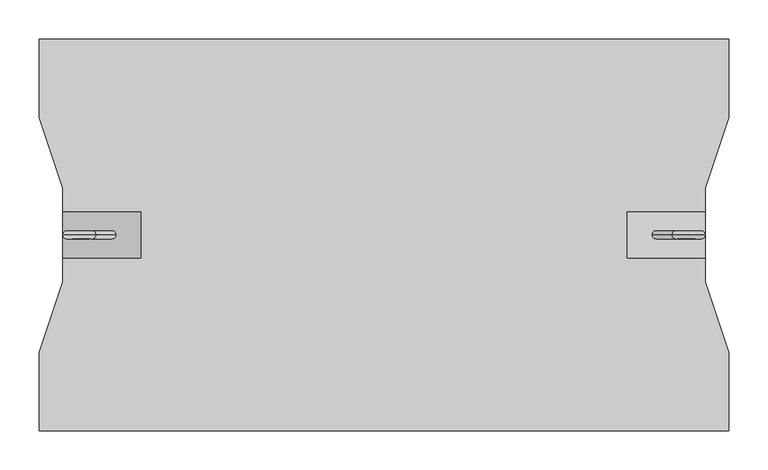
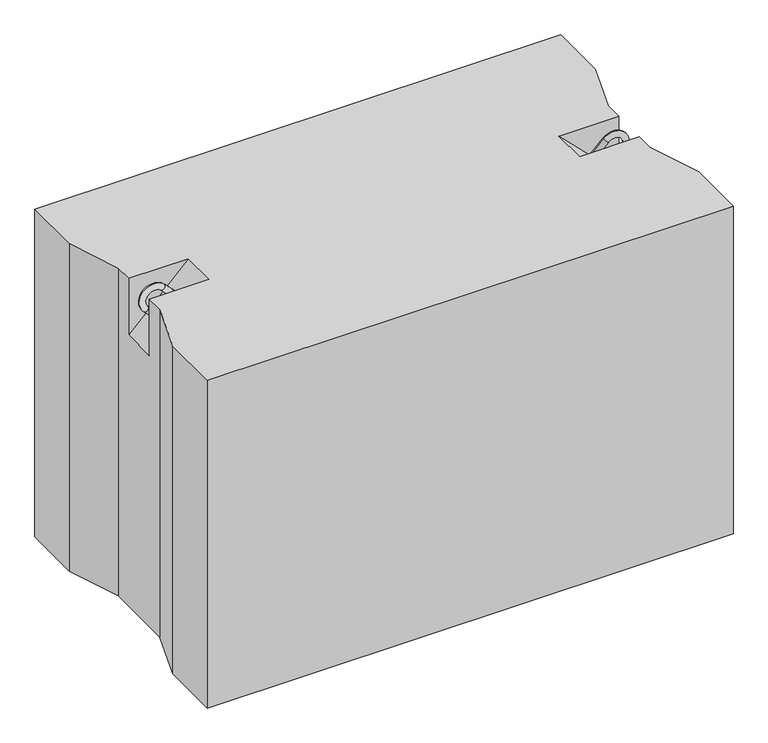
"""IFC4 building model written with IfcOpenShell, lengths in millimetres: proxy geometry."""

from ifc_helpers import new_model, si_unit, point, frame, origin, place, context, project, spatial, circle_curve, ellipse_curve, trimmed, faceted_brep, source, transform, mapped, element, save
from ifc_brep_helpers import plane_surface, cylinder_surface, revolved_surface, advanced_brep


def generic_models_9c0ca7b1(model_context):
    return source(origin(), model_context, "Body", "SolidModel", [
        advanced_brep(
        [(782.3223305, 0.0, 547.6776695), (789.3933983, 0.0, 540.6066017), (814.3933983, 0.0, 565.6066017), (807.3223305, 0.0, 572.6776695), (835.6066017, 0.0, 544.3933983), (842.6776695, 0.0, 537.3223305), (817.6776695, 0.0, 512.3223305), (810.6066017, 0.0, 519.3933983)],
        [
            (0, 1, circle_curve(frame((785.8578644, 0.0, 544.1421356), z_axis=(-0.7071067811865482, 0.0, -0.7071067811865468), x_axis=(0.7071067811865468, 0.0, -0.7071067811865482)), 5.0)),
            (1, 0, circle_curve(frame((785.8578644, 0.0, 544.1421356), z_axis=(-0.7071067811865482, 0.0, -0.7071067811865468), x_axis=(0.7071067811865468, 0.0, -0.7071067811865482)), 5.0)),
            (1, 2),
            (2, 3, circle_curve(frame((810.8578644, 0.0, 569.1421356), z_axis=(-0.7071067811865482, 0.0, -0.7071067811865468), x_axis=(0.7071067811865468, 0.0, -0.7071067811865482)), 5.0)),
            (3, 0),
            (3, 2, circle_curve(frame((810.8578644, 0.0, 569.1421356), z_axis=(-0.7071067811865482, 0.0, -0.7071067811865468), x_axis=(0.7071067811865468, 0.0, -0.7071067811865482)), 5.0)),
            (4, 5, circle_curve(frame((839.1421356, 0.0, 540.8578644), z_axis=(0.7071067811865457, 0.0, 0.7071067811865493), x_axis=(-0.7071067811865493, 0.0, 0.7071067811865457)), 5.0)),
            (5, 3, circle_curve(frame((825.0, 0.0, 555.0), z_axis=(0.0, -1.0, 0.0), x_axis=(-0.7071067811865468, 0.0, 0.7071067811865482)), 25.0)),
            (2, 4, circle_curve(frame((825.0, 0.0, 555.0), z_axis=(0.0, 1.0, 0.0), x_axis=(-0.7071067811865468, 0.0, 0.7071067811865482)), 15.0)),
            (5, 4, circle_curve(frame((839.1421356, 0.0, 540.8578644), z_axis=(0.7071067811865459, 0.0, 0.7071067811865491), x_axis=(-0.7071067811865491, 0.0, 0.7071067811865459)), 5.0)),
            (6, 7, circle_curve(frame((814.1421356, 0.0, 515.8578644), z_axis=(-0.7071067811865505, 0.0, -0.7071067811865446), x_axis=(-0.7071067811865446, 0.0, 0.7071067811865505)), 5.0)),
            (7, 6, circle_curve(frame((814.1421356, 0.0, 515.8578644), z_axis=(-0.7071067811865505, 0.0, -0.7071067811865446), x_axis=(-0.7071067811865446, 0.0, 0.7071067811865505)), 5.0)),
            (4, 7),
            (6, 5),
        ],
        [
            plane_surface(frame((782.3223305, 0.0, 547.6776695), z_axis=(-0.7071067811865482, 0.0, -0.7071067811865468), x_axis=(0.0, -1.0, 0.0))),
            cylinder_surface(frame((785.8578644, 0.0, 544.1421356), z_axis=(-0.7071067811865482, 0.0, -0.7071067811865468), x_axis=(0.7071067811865468, 0.0, -0.7071067811865482)), 5.0),
            revolved_surface(trimmed(ellipse_curve(frame((810.8578644, 0.0, 569.1421356), z_axis=(0.7071067811865482, 0.0, 0.7071067811865468), x_axis=(0.7071067811865468, 0.0, -0.7071067811865482)), 5.0, 5.0), [point((807.3223305, 0.0, 572.6776695))], [point((814.3933983, 0.0, 565.6066017))], True, "CARTESIAN"), (825.0, 0.0, 555.0), (0.0, -1.0, 0.0)),
            revolved_surface(trimmed(ellipse_curve(frame((810.8578644, 0.0, 569.1421356), z_axis=(0.7071067811865482, 0.0, 0.7071067811865468), x_axis=(0.7071067811865468, 0.0, -0.7071067811865482)), 5.0, 5.0), [point((814.3933983, 0.0, 565.6066017))], [point((807.3223305, 0.0, 572.6776695))], True, "CARTESIAN"), (825.0, 0.0, 555.0), (0.0, -1.0, 0.0)),
            plane_surface(frame((817.6776695, 0.0, 512.3223305), z_axis=(-0.7071067811865505, 0.0, -0.7071067811865446), x_axis=(0.0, -1.0, 0.0))),
            cylinder_surface(frame((839.1421356, 0.0, 540.8578644), z_axis=(0.7071067811865505, 0.0, 0.7071067811865446), x_axis=(-0.7071067811865446, 0.0, 0.7071067811865505)), 5.0),
        ],
        [
            (0, [[1, 2]]),
            (1, [[3, 4, 5, -2]]),
            (1, [[-5, 6, -3, -1]]),
            (2, [[7, 8, -4, 9]]),
            (3, [[10, -9, -6, -8]]),
            (4, [[11, 12]]),
            (5, [[13, -11, 14, -7]]),
            (5, [[-14, -12, -13, -10]]),
        ],
    ),
        advanced_brep(
        [(97.6776695, 0.0, 547.6776695), (90.6066017, 0.0, 540.6066017), (72.6776695, 0.0, 572.6776695), (65.6066017, 0.0, 565.6066017), (44.3933983, 0.0, 544.3933983), (37.3223305, 0.0, 537.3223305), (62.3223305, 0.0, 512.3223305), (69.3933983, 0.0, 519.3933983)],
        [
            (0, 1, circle_curve(frame((94.1421356, 0.0, 544.1421356), z_axis=(0.707106781186546, 0.0, -0.707106781186549), x_axis=(-0.707106781186549, 0.0, -0.707106781186546)), 5.0)),
            (1, 0, circle_curve(frame((94.1421356, 0.0, 544.1421356), z_axis=(0.707106781186546, 0.0, -0.707106781186549), x_axis=(-0.707106781186549, 0.0, -0.707106781186546)), 5.0)),
            (0, 2),
            (2, 3, circle_curve(frame((69.1421356, 0.0, 569.1421356), z_axis=(0.707106781186546, 0.0, -0.707106781186549), x_axis=(-0.707106781186549, 0.0, -0.707106781186546)), 5.0)),
            (3, 1),
            (3, 2, circle_curve(frame((69.1421356, 0.0, 569.1421356), z_axis=(0.707106781186546, 0.0, -0.707106781186549), x_axis=(-0.707106781186549, 0.0, -0.707106781186546)), 5.0)),
            (4, 3, circle_curve(frame((55.0, 0.0, 555.0), z_axis=(0.0, 1.0, 0.0), x_axis=(0.707106781186549, 0.0, 0.707106781186546)), 15.0)),
            (2, 5, circle_curve(frame((55.0, 0.0, 555.0), z_axis=(0.0, -1.0, 0.0), x_axis=(0.707106781186549, 0.0, 0.707106781186546)), 25.0)),
            (5, 4, circle_curve(frame((40.8578644, 0.0, 540.8578644), z_axis=(-0.7071067811865437, 0.0, 0.7071067811865513), x_axis=(0.7071067811865513, 0.0, 0.7071067811865437)), 5.0)),
            (4, 5, circle_curve(frame((40.8578644, 0.0, 540.8578644), z_axis=(-0.7071067811865437, 0.0, 0.7071067811865513), x_axis=(0.7071067811865513, 0.0, 0.7071067811865437)), 5.0)),
            (6, 7, circle_curve(frame((65.8578644, 0.0, 515.8578644), z_axis=(0.7071067811865482, 0.0, -0.7071067811865468), x_axis=(0.7071067811865468, 0.0, 0.7071067811865482)), 5.0)),
            (7, 6, circle_curve(frame((65.8578644, 0.0, 515.8578644), z_axis=(0.7071067811865482, 0.0, -0.7071067811865468), x_axis=(0.7071067811865468, 0.0, 0.7071067811865482)), 5.0)),
            (5, 6),
            (7, 4),
        ],
        [
            plane_surface(frame((97.6776695, 0.0, 547.6776695), z_axis=(0.707106781186546, 0.0, -0.707106781186549), x_axis=(0.0, -1.0, 0.0))),
            cylinder_surface(frame((94.1421356, 0.0, 544.1421356), z_axis=(0.707106781186546, 0.0, -0.707106781186549), x_axis=(-0.707106781186549, 0.0, -0.707106781186546)), 5.0),
            revolved_surface(trimmed(ellipse_curve(frame((69.1421356, 0.0, 569.1421356), z_axis=(0.707106781186546, 0.0, -0.707106781186549), x_axis=(-0.707106781186549, 0.0, -0.707106781186546)), 5.0, 5.0), [point((72.6776695, 0.0, 572.6776695))], [point((65.6066017, 0.0, 565.6066017))], True, "CARTESIAN"), (55.0, 0.0, 555.0), (0.0, -1.0, 0.0)),
            revolved_surface(trimmed(ellipse_curve(frame((69.1421356, 0.0, 569.1421356), z_axis=(0.707106781186546, 0.0, -0.707106781186549), x_axis=(-0.707106781186549, 0.0, -0.707106781186546)), 5.0, 5.0), [point((65.6066017, 0.0, 565.6066017))], [point((72.6776695, 0.0, 572.6776695))], True, "CARTESIAN"), (55.0, 0.0, 555.0), (0.0, -1.0, 0.0)),
            plane_surface(frame((62.3223305, 0.0, 512.3223305), z_axis=(0.7071067811865482, 0.0, -0.7071067811865468), x_axis=(0.0, -1.0, 0.0))),
            cylinder_surface(frame((40.8578644, 0.0, 540.8578644), z_axis=(-0.7071067811865482, 0.0, 0.7071067811865468), x_axis=(0.7071067811865468, 0.0, 0.7071067811865482)), 5.0),
        ],
        [
            (0, [[1, 2]]),
            (1, [[-1, 3, 4, 5]]),
            (1, [[-2, -5, 6, -3]]),
            (2, [[7, -4, 8, 9]]),
            (3, [[-8, -6, -7, 10]]),
            (4, [[11, 12]]),
            (5, [[-9, 13, -12, 14]]),
            (5, [[-10, -14, -11, -13]]),
        ],
    ),
        faceted_brep([(880.0, 250.0, 580.0), (0.0, 250.0, 580.0), (0.0, 150.0, 580.0), (30.0, 60.0, 580.0), (30.0, 30.0, 580.0), (130.0, 30.0, 580.0), (130.0, -30.0, 580.0), (30.0, -30.0, 580.0), (30.0, -60.0, 580.0), (0.0, -150.0, 580.0), (0.0, -250.0, 580.0), (880.0, -250.0, 580.0), (880.0, -150.0, 580.0), (850.0, -60.0, 580.0), (850.0, -30.0, 580.0), (750.0, -30.0, 580.0), (750.0, 30.0, 580.0), (850.0, 30.0, 580.0), (850.0, 60.0, 580.0), (880.0, 150.0, 580.0), (880.0, 250.0, 0.0), (880.0, 150.0, 0.0), (850.0, 60.0, 0.0), (850.0, -60.0, 0.0), (880.0, -150.0, 0.0), (880.0, -250.0, 0.0), (0.0, -250.0, 0.0), (0.0, -150.0, 0.0), (30.0, -60.0, 0.0), (30.0, 60.0, 0.0), (0.0, 150.0, 0.0), (0.0, 250.0, 0.0), (30.0, -30.0, 480.0), (30.0, 30.0, 480.0), (850.0, 30.0, 480.0), (850.0, -30.0, 480.0)], [[[0, 1, 2, 3, 4, 5, 6, 7, 8, 9, 10, 11, 12, 13, 14, 15, 16, 17, 18, 19]], [[20, 21, 22, 23, 24, 25, 26, 27, 28, 29, 30, 31]], [[1, 0, 20, 31]], [[10, 9, 27, 26]], [[11, 10, 26, 25]], [[0, 19, 21, 20]], [[2, 1, 31, 30]], [[3, 2, 30, 29]], [[29, 28, 8, 7, 32, 33, 4, 3]], [[9, 8, 28, 27]], [[12, 11, 25, 24]], [[13, 12, 24, 23]], [[23, 22, 18, 17, 34, 35, 14, 13]], [[19, 18, 22, 21]], [[6, 32, 7]], [[35, 15, 14]], [[33, 5, 4]], [[16, 34, 17]], [[32, 6, 5, 33]], [[15, 35, 34, 16]]]),
    ])


if __name__ == "__main__":
    model = new_model("IFC4")
    model_context = context("Model", 3, world=origin())
    ifc_project = project(units=[si_unit("LENGTHUNIT", "METRE", prefix="MILLI")], contexts=[model_context])
    site = spatial("IfcSite", under=ifc_project)
    building = spatial("IfcBuilding", under=site)
    placement = place(None, origin())
    generic_models_shape = generic_models_9c0ca7b1(model_context)
    element("IfcBuildingElementProxy", 1, Name="Generic Models", at=placement, inside=building, context=model_context, shape_type="MappedRepresentation", body=[
        mapped(generic_models_shape, transform((0.0, 0.0, 0.0), x_axis=(1.0, 0.0, 0.0), y_axis=(0.0, 1.0, 0.0), z_axis=(0.0, 0.0, 1.0))),
    ])
    save(model, "model.ifc")
